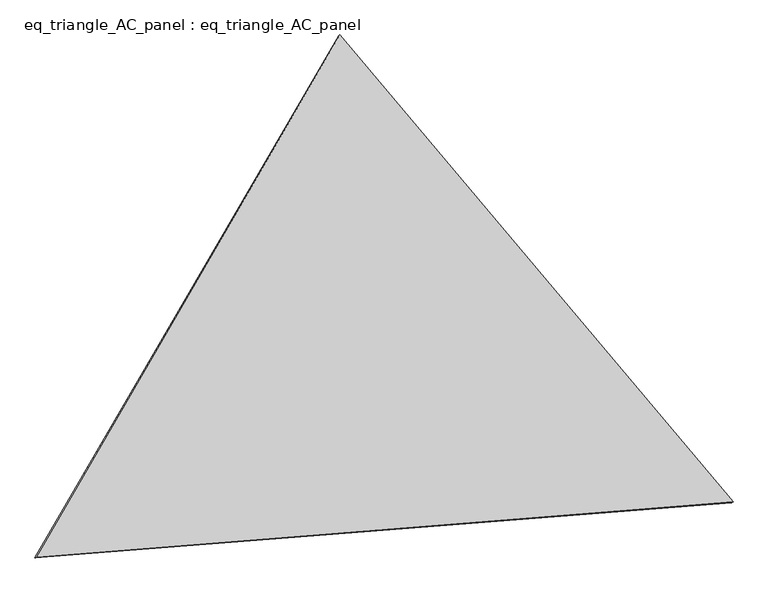
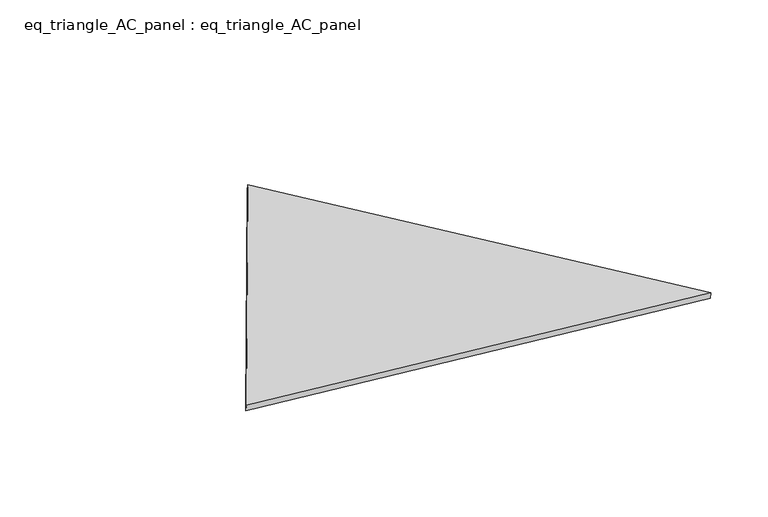
"""IFC4 building model written with IfcOpenShell, lengths in millimetres: proxy geometry, eq_triangle_AC_panel : eq_triangle_AC_panel."""

from ifc_helpers import new_model, si_unit, frame, origin, place, context, project, spatial, polyline, outline, extrude, source, transform, mapped, element, save


def eq_triangle_ac_panel_eq_triangle_ac_panel_9af6f0bb(model_context):
    return source(origin(), model_context, "Body", "SweptSolid", [
        extrude(outline(polyline([(-1545.5417544, 1096.950005), (1940.6131338, 1096.950005), (-395.0713796, -2193.90001), (-1545.5417544, 1096.950005)])), frame((0.0038051, 527.9290861, 89.8240019), z_axis=(0.14526328518058176, 0.08386570281802186, 0.9858321976225894), x_axis=(0.6433956684768252, -0.7649563245265976, -0.029729368510244533)), (0.0, 0.0, 1.0), 43.8306294),
    ])


if __name__ == "__main__":
    model = new_model("IFC4")
    model_context = context("Model", 3, world=origin())
    ifc_project = project(units=[si_unit("LENGTHUNIT", "METRE", prefix="MILLI")], contexts=[model_context])
    site = spatial("IfcSite", under=ifc_project)
    building = spatial("IfcBuilding", under=site)
    placement = place(None, origin())
    eq_triangle_ac_panel_eq_triangle_ac_panel_shape = eq_triangle_ac_panel_eq_triangle_ac_panel_9af6f0bb(model_context)
    element("IfcBuildingElementProxy", 1, Name="eq_triangle_AC_panel : eq_triangle_AC_panel", ObjectType="eq_triangle_AC_panel : eq_triangle_AC_panel", at=placement, inside=building, context=model_context, shape_type="MappedRepresentation", body=[
        mapped(eq_triangle_ac_panel_eq_triangle_ac_panel_shape, transform((0.0, 0.0, 0.0), x_axis=(1.0, 0.0, 0.0), y_axis=(0.0, 1.0, 0.0), z_axis=(0.0, 0.0, 1.0))),
    ])
    save(model, "model.ifc")
